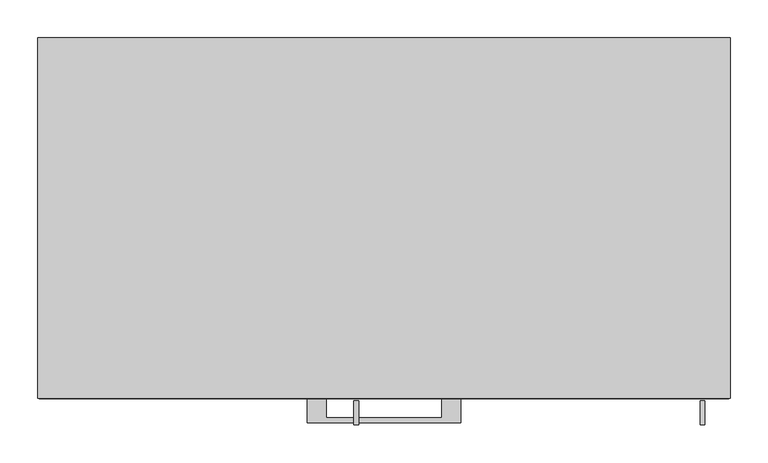
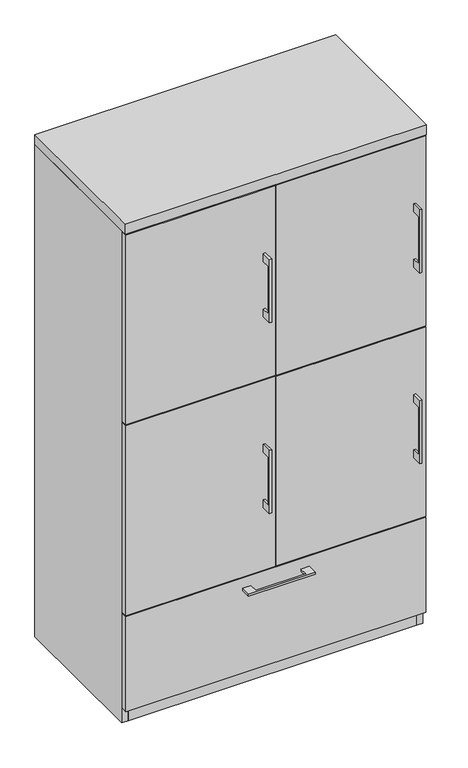
"""IFC4 building model written with IfcOpenShell, lengths in millimetres: furniture geometry."""

from ifc_helpers import new_model, si_unit, frame, origin, origin_with_axes, place, context, project, spatial, polyline, outline, extrude, source, transform, mapped, element, save


def furniture_afc6a51e(model_context):
    return source(origin(), model_context, "Body", "SweptSolid", [
        extrude(outline(polyline([(-76.1999818, -476.25), (-76.1999818, -501.6499758), (76.2, -501.6499758), (76.2, -476.25), (101.5999939, -476.25), (101.5999939, -507.9999879), (-101.5999939, -507.9999879), (-101.5999939, -476.25), (-76.1999818, -476.25)])), frame((0.0, 0.0, 312.7375506), z_axis=(0.0, 0.0, 1.0), x_axis=(1.0, 0.0, 0.0)), (0.0, 0.0, 1.0), 6.3499758),
        extrude(outline(polyline([(455.6125, -457.2), (455.6125, -476.25), (-455.6125, -476.25), (-455.6125, -457.2), (455.6125, -457.2)])), frame((0.0, 0.0, 47.625), z_axis=(0.0, 0.0, 1.0), x_axis=(1.0, 0.0, 0.0)), (0.0, 0.0, 1.0), 304.8),
        extrude(outline(polyline([(-479.425, 1349.375), (-504.8249758, 1349.375), (-504.8249758, 1196.975), (-479.425, 1196.975), (-479.425, 1171.575), (-511.1749879, 1171.575), (-511.1749879, 1374.775), (-479.425, 1374.775), (-479.425, 1349.375)])), frame((417.5125121, 0.0, 0.0), z_axis=(1.0, 0.0, 0.0), x_axis=(0.0, 1.0, 0.0)), (0.0, 0.0, 1.0), 6.3499758),
        extrude(outline(polyline([(455.6125, -476.25), (1.5875, -476.25), (1.5875, -457.2), (455.6125, -457.2), (455.6125, -476.25)])), frame((0.0, 0.0, 968.375), z_axis=(0.0, 0.0, 1.0), x_axis=(1.0, 0.0, 0.0)), (0.0, 0.0, 1.0), 609.6),
        extrude(outline(polyline([(-479.425, 1349.375), (-504.8249758, 1349.375), (-504.8249758, 1196.975), (-479.425, 1196.975), (-479.425, 1171.575), (-511.1749879, 1171.575), (-511.1749879, 1374.775), (-479.425, 1374.775), (-479.425, 1349.375)])), frame((-39.6874879, 0.0, 0.0), z_axis=(1.0, 0.0, 0.0), x_axis=(0.0, 1.0, 0.0)), (0.0, 0.0, 1.0), 6.3499758),
        extrude(outline(polyline([(-1.5875, -476.25), (-455.6125, -476.25), (-455.6125, -457.2), (-1.5875, -457.2), (-1.5875, -476.25)])), frame((0.0, 0.0, 968.375), z_axis=(0.0, 0.0, 1.0), x_axis=(1.0, 0.0, 0.0)), (0.0, 0.0, 1.0), 609.6),
        extrude(outline(polyline([(-479.425, 736.6), (-504.8249758, 736.6), (-504.8249758, 584.2), (-479.425, 584.2), (-479.425, 558.8), (-511.1749879, 558.8), (-511.1749879, 762.0), (-479.425, 762.0), (-479.425, 736.6)])), frame((417.5125121, 0.0, 0.0), z_axis=(1.0, 0.0, 0.0), x_axis=(0.0, 1.0, 0.0)), (0.0, 0.0, 1.0), 6.3499758),
        extrude(outline(polyline([(455.6125, -476.25), (1.5875, -476.25), (1.5875, -457.2), (455.6125, -457.2), (455.6125, -476.25)])), frame((0.0, 0.0, 355.6), z_axis=(0.0, 0.0, 1.0), x_axis=(1.0, 0.0, 0.0)), (0.0, 0.0, 1.0), 609.6),
        extrude(outline(polyline([(-479.425, 736.6), (-504.8249758, 736.6), (-504.8249758, 584.2), (-479.425, 584.2), (-479.425, 558.8), (-511.1749879, 558.8), (-511.1749879, 762.0), (-479.425, 762.0), (-479.425, 736.6)])), frame((-39.6874879, 0.0, 0.0), z_axis=(1.0, 0.0, 0.0), x_axis=(0.0, 1.0, 0.0)), (0.0, 0.0, 1.0), 6.3499758),
        extrude(outline(polyline([(-1.5875, -476.25), (-455.6125, -476.25), (-455.6125, -457.2), (-1.5875, -457.2), (-1.5875, -476.25)])), frame((0.0, 0.0, 355.6), z_axis=(0.0, 0.0, 1.0), x_axis=(1.0, 0.0, 0.0)), (0.0, 0.0, 1.0), 609.6),
        extrude(outline(polyline([(438.15, -19.05), (438.15, -457.2), (-438.15, -457.2), (-438.15, -19.05), (438.15, -19.05)])), frame((0.0, 0.0, 352.425), z_axis=(0.0, 0.0, 1.0), x_axis=(1.0, 0.0, 0.0)), (0.0, 0.0, 1.0), 19.05),
        extrude(outline(polyline([(9.525, -19.05), (9.525, -457.2), (-9.525, -457.2), (-9.525, -19.05), (9.525, -19.05)])), frame((0.0, 0.0, 371.475), z_axis=(0.0, 0.0, 1.0), x_axis=(1.0, 0.0, 0.0)), (0.0, 0.0, 1.0), 1209.675),
        extrude(outline(polyline([(438.15, -19.05), (438.15, -457.2), (-438.15, -457.2), (-438.15, -19.05), (438.15, -19.05)])), origin_with_axes(), (0.0, 0.0, 1.0), 47.625),
        extrude(outline(polyline([(457.2, 0.0), (457.2, -476.25), (-457.2, -476.25), (-457.2, 0.0), (457.2, 0.0)])), frame((0.0, 0.0, 1581.15), z_axis=(0.0, 0.0, 1.0), x_axis=(1.0, 0.0, 0.0)), (0.0, 0.0, 1.0), 31.75),
        extrude(outline(polyline([(457.2, 0.0), (457.2, -457.2), (438.15, -457.2), (438.15, -19.05), (-438.15, -19.05), (-438.15, -457.2), (-457.2, -457.2), (-457.2, 0.0), (457.2, 0.0)])), origin_with_axes(), (0.0, 0.0, 1.0), 1581.15),
    ])


if __name__ == "__main__":
    model = new_model("IFC4")
    model_context = context("Model", 3, world=origin())
    ifc_project = project(units=[si_unit("LENGTHUNIT", "METRE", prefix="MILLI")], contexts=[model_context])
    site = spatial("IfcSite", under=ifc_project)
    building = spatial("IfcBuilding", under=site)
    placement = place(None, origin())
    furniture_shape = furniture_afc6a51e(model_context)
    element("IfcFurniture", 1, at=placement, inside=building, context=model_context, shape_type="MappedRepresentation", body=[
        mapped(furniture_shape, transform((0.0, 0.0, 0.0), x_axis=(1.0, 0.0, 0.0), y_axis=(0.0, 1.0, 0.0), z_axis=(0.0, 0.0, 1.0))),
    ])
    save(model, "model.ifc")
